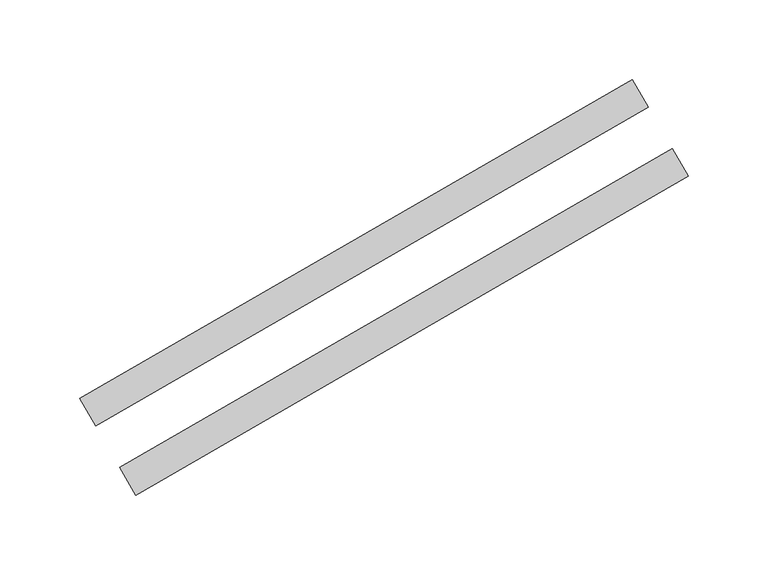
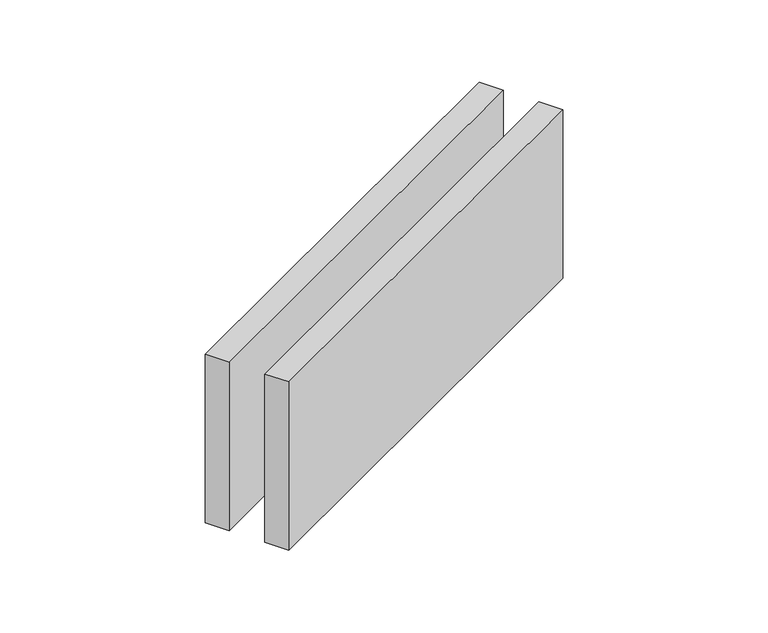
"""IFC4 building model written with IfcOpenShell, lengths in millimetres: proxy geometry."""

from ifc_helpers import new_model, si_unit, origin, origin_with_axes, place, context, project, spatial, polyline, outline, extrude, source, transform, mapped, element, save


def generic_models_fe4a14c4(model_context):
    return source(origin(), model_context, "Body", "SweptSolid", [
        extrude(outline(polyline([(353.9101615, 187.0096189), (363.9101615, 169.6891109), (17.5, -30.3108891), (7.5, -12.9903811), (353.9101615, 187.0096189)])), origin_with_axes(), (0.0, 0.0, 1.0), 150.0),
        extrude(outline(polyline([(328.9101615, 230.3108891), (338.9101615, 212.9903811), (-7.5, 12.9903811), (-17.5, 30.3108891), (328.9101615, 230.3108891)])), origin_with_axes(), (0.0, 0.0, 1.0), 150.0),
    ])


if __name__ == "__main__":
    model = new_model("IFC4")
    model_context = context("Model", 3, world=origin())
    ifc_project = project(units=[si_unit("LENGTHUNIT", "METRE", prefix="MILLI")], contexts=[model_context])
    site = spatial("IfcSite", under=ifc_project)
    building = spatial("IfcBuilding", under=site)
    placement = place(None, origin())
    generic_models_shape = generic_models_fe4a14c4(model_context)
    element("IfcBuildingElementProxy", 1, Name="Generic Models", at=placement, inside=building, context=model_context, shape_type="MappedRepresentation", body=[
        mapped(generic_models_shape, transform((0.0, 0.0, 0.0), x_axis=(1.0, 0.0, 0.0), y_axis=(0.0, 1.0, 0.0), z_axis=(0.0, 0.0, 1.0))),
    ])
    save(model, "model.ifc")
